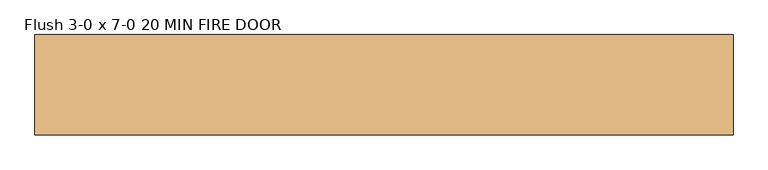
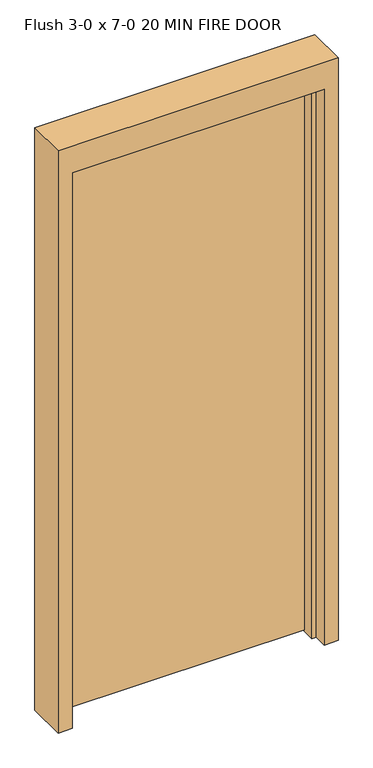
"""IFC4 building model written with IfcOpenShell, lengths in millimetres: door geometry, Flush 3-0 x 7-0 20 MIN FIRE DOOR."""

import ifcopenshell
import ifcopenshell.guid

model = None  # the IFC model being written
_history = None  # IfcOwnerHistory: only IFC2X3 demands one
_inside = {}  # id of a spatial element -> (the spatial element, [elements in it])
_under = {}  # id of a project, library or spatial element -> (it, [spatial elements below it])
_declared = {}  # id of a project -> (the project, [libraries it declares])
_typed = {}  # id of a type object -> (the type object, [elements of that type])
_made_of = {}  # id of a material, layer set ... -> (it, [elements and type objects made of it])


def new_model(schema):
    """Start an empty IFC model of exactly this schema.

    Asked for "IFC4X3", IfcOpenShell would pick the latest addendum, in which some entities
    have other attributes; the version numbers below select the first issue.
    IFC2X3 requires an IfcOwnerHistory on every rooted entity: one is made here for all.
    """
    global model, _history
    if schema == "IFC4X3":
        model = ifcopenshell.file(schema_version=(4, 3, 0, 0))
    else:
        model = ifcopenshell.file(schema=schema)
    _inside.clear()
    _under.clear()
    _declared.clear()
    _typed.clear()
    _made_of.clear()
    _history = None
    if model.schema == "IFC2X3":
        org = make("IfcOrganization", Name="unknown")
        user = make(
            "IfcPersonAndOrganization",
            ThePerson=make("IfcPerson", FamilyName="unknown"),
            TheOrganization=org,
        )
        app = make(
            "IfcApplication",
            ApplicationDeveloper=org,
            Version="unknown",
            ApplicationFullName="unknown",
            ApplicationIdentifier="unknown",
        )
        _history = make(
            "IfcOwnerHistory",
            OwningUser=user,
            OwningApplication=app,
            ChangeAction="ADDED",
            CreationDate=0,
        )
    return model


def make(cls, **values):
    """One entity of the class cls with the attributes given. An attribute that is None is left unset."""
    return model.create_entity(
        cls, **{name: value for name, value in values.items() if value is not None}
    )


def rooted(cls, **values):
    """An entity with a GlobalId (a new one), such as an element, a storey or a relation."""
    return make(cls, GlobalId=ifcopenshell.guid.new(), OwnerHistory=_history, **values)


def si_unit(unit_type, name, prefix=None):
    """IfcSIUnit, for example si_unit("LENGTHUNIT", "METRE", prefix="MILLI")."""
    return make("IfcSIUnit", UnitType=unit_type, Prefix=prefix, Name=name)


def assignment(units):
    """IfcUnitAssignment: the units of a project."""
    return None if units is None else make("IfcUnitAssignment", Units=units)


def point(xyz):
    """IfcCartesianPoint."""
    return None if xyz is None else make("IfcCartesianPoint", Coordinates=xyz)


def direction(xyz):
    """IfcDirection."""
    return None if xyz is None else make("IfcDirection", DirectionRatios=xyz)


def frame(location, z_axis=None, x_axis=None):
    """IfcAxis2Placement3D, a coordinate frame: its origin and axes. An axis left out is left unset."""
    return make(
        "IfcAxis2Placement3D",
        Location=point(location),
        Axis=direction(z_axis),
        RefDirection=direction(x_axis),
    )


def origin():
    """The frame at (0, 0, 0) with its axes left unset."""
    return frame((0.0, 0.0, 0.0))


def place(relative_to, where):
    """IfcLocalPlacement: puts the frame where relative to a parent placement (None: the world)."""
    return make(
        "IfcLocalPlacement", PlacementRelTo=relative_to, RelativePlacement=where
    )


def context(
    kind, dimensions, precision=None, world=None, true_north=None, identifier=None
):
    """IfcGeometricRepresentationContext, for example the 3D "Model" context."""
    return make(
        "IfcGeometricRepresentationContext",
        ContextIdentifier=identifier,
        ContextType=kind,
        CoordinateSpaceDimension=dimensions,
        Precision=precision,
        WorldCoordinateSystem=world,
        TrueNorth=true_north,
    )


def project(units=None, contexts=None):
    """IfcProject with its units and contexts."""
    return rooted(
        "IfcProject",
        Name="project",
        RepresentationContexts=contexts,
        UnitsInContext=assignment(units),
    )


def spatial(cls, under=None, at=None, **own):
    """A site, building, storey or space (cls), placed at a placement, below another one or the project."""
    s = rooted(cls, ObjectPlacement=at, **own)
    if under is not None:
        _under.setdefault(under.id(), (under, []))[1].append(s)
    return s


def polyline(points):
    """IfcPolyline through the points."""
    return make("IfcPolyline", Points=[point(p) for p in points])


def outline(outer, holes=None, kind="AREA"):
    """IfcArbitraryClosedProfileDef: a profile drawn as a closed curve; with holes, ...WithVoids."""
    if holes is None:
        return make("IfcArbitraryClosedProfileDef", ProfileType=kind, OuterCurve=outer)
    return make(
        "IfcArbitraryProfileDefWithVoids",
        ProfileType=kind,
        OuterCurve=outer,
        InnerCurves=holes,
    )


def extrude(swept, where, along, depth):
    """IfcExtrudedAreaSolid: the profile swept, set in the frame where, extruded along a direction by depth."""
    return make(
        "IfcExtrudedAreaSolid",
        SweptArea=swept,
        Position=where,
        ExtrudedDirection=direction(along),
        Depth=depth,
    )


def shape(context_of_items, identifier, shape_type, items):
    """IfcShapeRepresentation: the items that make up one representation, for example the "Body"."""
    return make(
        "IfcShapeRepresentation",
        ContextOfItems=context_of_items,
        RepresentationIdentifier=identifier,
        RepresentationType=shape_type,
        Items=items,
    )


def source(mapping_origin, context_of_items, identifier, shape_type, items):
    """IfcRepresentationMap: a shape defined once, which mapped items show again and again."""
    return make(
        "IfcRepresentationMap",
        MappingOrigin=mapping_origin,
        MappedRepresentation=shape(context_of_items, identifier, shape_type, items),
    )


def transform(
    local_origin,
    x_axis=None,
    y_axis=None,
    z_axis=None,
    scale=None,
    scale2=None,
    scale3=None,
    uniform=True,
):
    """IfcCartesianTransformationOperator3D, or its non-uniform kind. x_axis, y_axis, z_axis: its Axis1, 2, 3."""
    if uniform:
        return make(
            "IfcCartesianTransformationOperator3D",
            Axis1=direction(x_axis),
            Axis2=direction(y_axis),
            LocalOrigin=point(local_origin),
            Scale=scale,
            Axis3=direction(z_axis),
        )
    return make(
        "IfcCartesianTransformationOperator3DnonUniform",
        Axis1=direction(x_axis),
        Axis2=direction(y_axis),
        LocalOrigin=point(local_origin),
        Scale=scale,
        Axis3=direction(z_axis),
        Scale2=scale2,
        Scale3=scale3,
    )


def mapped(mapping_source, mapping_target):
    """IfcMappedItem: shows the shape of a source again, moved by a transform."""
    return make(
        "IfcMappedItem", MappingSource=mapping_source, MappingTarget=mapping_target
    )


def made_of(thing, what):
    """Note that an element or type object is made of a material, layer set ...; save() writes the relation."""
    if what is not None:
        _made_of.setdefault(what.id(), (what, []))[1].append(thing)
    return thing


def element(
    cls,
    number,
    at=None,
    inside=None,
    cuts=None,
    type_object=None,
    material=None,
    context=None,
    identifier="Body",
    shape_type=None,
    held_by="IfcProductDefinitionShape",
    body=None,
    shapes=None,
    **own,
):
    """One element of the class cls, such as IfcWall. Its Tag is "e" and its number.

    at: its placement. inside: the storey or other place that contains it. cuts: it is an
    opening in that element (IfcRelVoidsElement). A single representation is given by context,
    identifier, shape_type and body (its items); several are given by shapes. held_by: the class
    of the entity that holds the representations. save() writes the other relations.
    """
    e = rooted(cls, Tag="e%d" % number, ObjectPlacement=at, **own)
    if body is not None:
        shapes = [shape(context, identifier, shape_type, body)]
    if shapes is not None:
        e.Representation = make(held_by, Representations=shapes)
    if inside is not None:
        _inside.setdefault(inside.id(), (inside, []))[1].append(e)
    if cuts is not None:
        rooted(
            "IfcRelVoidsElement", RelatingBuildingElement=cuts, RelatedOpeningElement=e
        )
    if type_object is not None:
        _typed.setdefault(type_object.id(), (type_object, []))[1].append(e)
    return made_of(e, material)


def aggregate(whole, parts):
    """IfcRelAggregates: a whole, such as a stair, and the parts it consists of."""
    return rooted("IfcRelAggregates", RelatingObject=whole, RelatedObjects=parts)


def save(model, path):
    """Write the relations noted so far, then the file.

    IfcRelAggregates (storeys below a building ...), IfcRelContainedInSpatialStructure (elements
    in a storey), IfcRelDefinesByType, IfcRelAssociatesMaterial and IfcRelDeclares: one each for
    every whole, place, type object, material and project.
    """
    for whole, parts in _under.values():
        aggregate(whole, parts)
    for where, things in _inside.values():
        rooted(
            "IfcRelContainedInSpatialStructure",
            RelatedElements=things,
            RelatingStructure=where,
        )
    for kind, things in _typed.values():
        rooted("IfcRelDefinesByType", RelatedObjects=things, RelatingType=kind)
    for what, things in _made_of.values():
        rooted("IfcRelAssociatesMaterial", RelatedObjects=things, RelatingMaterial=what)
    for by, libraries in _declared.values():
        rooted("IfcRelDeclares", RelatingContext=by, RelatedDefinitions=libraries)
    model.write(path)


def flush_3_0_x_7_0_20_min_fire_door_60de43ac(model_context):
    return source(origin(), model_context, "Body", "SweptSolid", [
        extrude(outline(polyline([(0.0, 457.2), (0.0, 508.0), (2235.2, 508.0), (2235.2, -508.0), (0.0, -508.0), (0.0, -457.2), (2133.6, -457.2), (2133.6, 457.2), (0.0, 457.2)])), frame((0.0, -53.975, 0.0), z_axis=(0.0, 1.0, 0.0), x_axis=(0.0, 0.0, 1.0)), (0.0, 0.0, 1.0), 146.05),
        extrude(outline(polyline([(454.81875, 92.075), (454.81875, 42.8625), (-454.81875, 42.8625), (-454.81875, 92.075), (454.81875, 92.075)])), frame((0.0, 0.0, 4.7625), z_axis=(0.0, 0.0, 1.0), x_axis=(1.0, 0.0, 0.0)), (0.0, 0.0, 1.0), 2112.9625),
        extrude(outline(polyline([(0.0, 441.325), (0.0, 457.2), (2133.6, 457.2), (2133.6, -457.2), (0.0, -457.2), (0.0, -441.325), (2117.725, -441.325), (2117.725, 441.325), (0.0, 441.325)])), frame((0.0, -4.7625, 0.0), z_axis=(0.0, 1.0, 0.0), x_axis=(0.0, 0.0, 1.0)), (0.0, 0.0, 1.0), 47.625),
    ])


if __name__ == "__main__":
    model = new_model("IFC4")
    model_context = context("Model", 3, world=origin())
    ifc_project = project(units=[si_unit("LENGTHUNIT", "METRE", prefix="MILLI")], contexts=[model_context])
    site = spatial("IfcSite", under=ifc_project)
    building = spatial("IfcBuilding", under=site)
    placement = place(None, origin())
    flush_3_0_x_7_0_20_min_fire_door_shape = flush_3_0_x_7_0_20_min_fire_door_60de43ac(model_context)
    element("IfcDoor", 1, ObjectType="Flush 3-0 x 7-0 20 MIN FIRE DOOR", at=placement, inside=building, context=model_context, shape_type="MappedRepresentation", body=[
        mapped(flush_3_0_x_7_0_20_min_fire_door_shape, transform((0.0, 0.0, 0.0), x_axis=(1.0, 0.0, 0.0), y_axis=(0.0, 1.0, 0.0), z_axis=(0.0, 0.0, 1.0))),
    ])
    save(model, "model.ifc")
